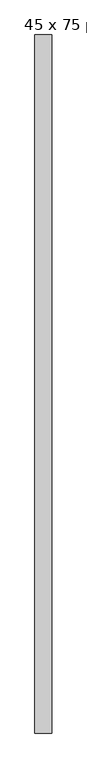
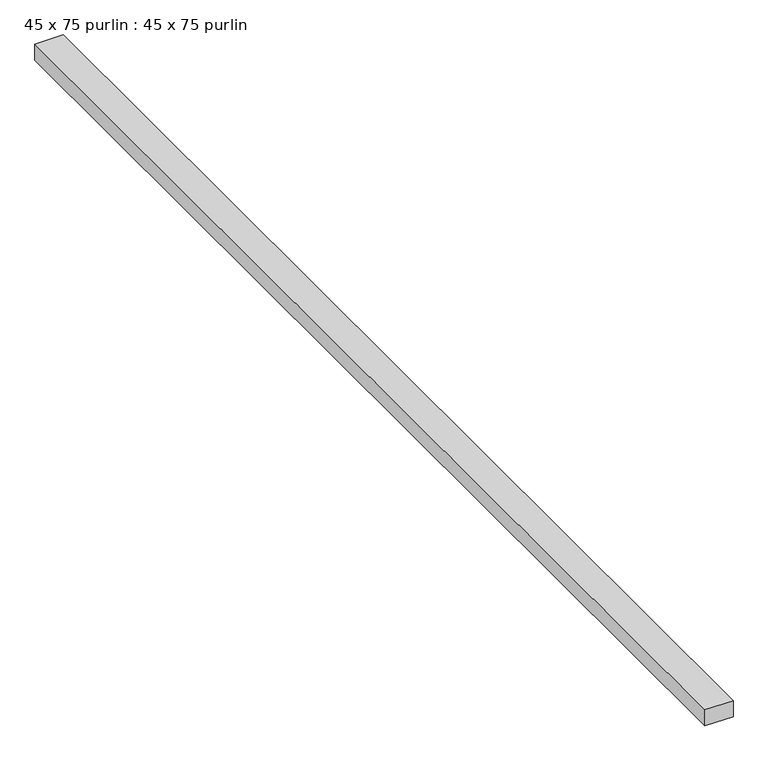
"""IFC4 building model written with IfcOpenShell, lengths in millimetres: proxy geometry, 45 x 75 purlin : 45 x 75 purlin."""

from ifc_helpers import new_model, si_unit, frame, origin, place, context, project, spatial, polyline, outline, extrude, source, transform, mapped, element, save


def proxy_45_x_75_purlin_45_x_75_purlin_7f5d8864(model_context):
    return source(origin(), model_context, "Body", "SweptSolid", [
        extrude(outline(polyline([(-11769.3841468, -1338.3711554), (-11844.3841468, -1338.3711554), (-11844.3841468, 1751.6288446), (-11769.3841468, 1751.6288446), (-11769.3841468, -1338.3711554)])), frame((0.0, 0.0, 3784.2452806), z_axis=(0.0, 0.0, 1.0), x_axis=(1.0, 0.0, 0.0)), (0.0, 0.0, 1.0), 45.0),
    ])


if __name__ == "__main__":
    model = new_model("IFC4")
    model_context = context("Model", 3, world=origin())
    ifc_project = project(units=[si_unit("LENGTHUNIT", "METRE", prefix="MILLI")], contexts=[model_context])
    site = spatial("IfcSite", under=ifc_project)
    building = spatial("IfcBuilding", under=site)
    placement = place(None, origin())
    proxy_45_x_75_purlin_45_x_75_purlin_shape = proxy_45_x_75_purlin_45_x_75_purlin_7f5d8864(model_context)
    element("IfcBuildingElementProxy", 1, Name="45 x 75 purlin : 45 x 75 purlin", ObjectType="45 x 75 purlin : 45 x 75 purlin", at=placement, inside=building, context=model_context, shape_type="MappedRepresentation", body=[
        mapped(proxy_45_x_75_purlin_45_x_75_purlin_shape, transform((0.0, 0.0, 0.0), x_axis=(1.0, 0.0, 0.0), y_axis=(0.0, 1.0, 0.0), z_axis=(0.0, 0.0, 1.0))),
    ])
    save(model, "model.ifc")
